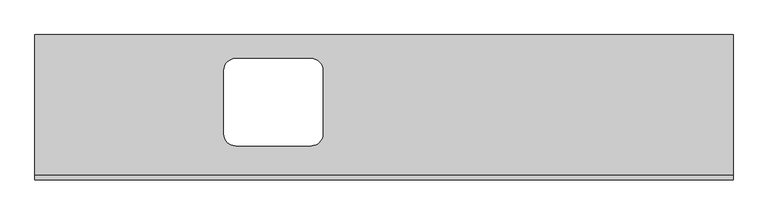
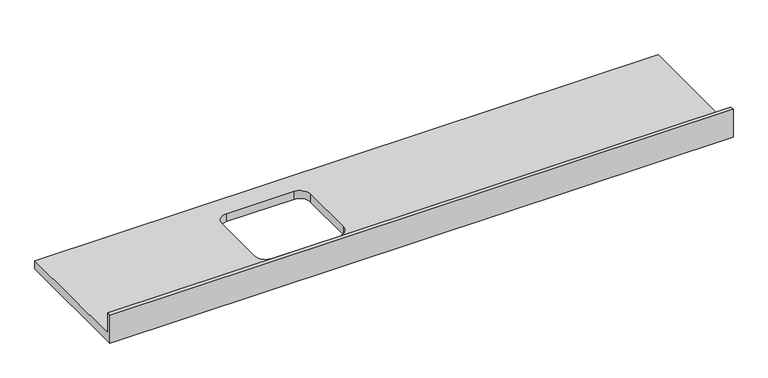
"""IFC4 building model written with IfcOpenShell, lengths in millimetres: furniture geometry."""

from ifc_helpers import new_model, si_unit, frame, origin, place, context, project, spatial, polyline, circle_curve, source, transform, mapped, element, save
from ifc_brep_helpers import plane_surface, revolved_surface, advanced_brep


def furniture_45402b26(model_context):
    return source(origin(), model_context, "Body", "AdvancedBrep", [
        advanced_brep(
        [(-1200.4622951, 625.0, 900.0), (-1200.4622951, 19.05, 900.0), (1799.5377049, 19.05, 900.0), (1799.5377049, 625.0, 900.0), (-337.3622951, 147.3, 900.0), (-388.1622951, 198.1, 900.0), (-388.1622951, 471.9, 900.0), (-337.3622951, 522.7, 900.0), (-13.5622951, 522.7, 900.0), (37.2377049, 471.9, 900.0), (37.2377049, 198.1, 900.0), (-13.5622951, 147.3, 900.0), (1799.5377049, 0.0, 860.0), (-1200.4622951, 0.0, 860.0), (-1200.4622951, 625.0, 860.0), (1799.5377049, 625.0, 860.0), (-13.5622951, 147.3, 860.0), (37.2377049, 198.1, 860.0), (37.2377049, 471.9, 860.0), (-13.5622951, 522.7, 860.0), (-337.3622951, 522.7, 860.0), (-388.1622951, 471.9, 860.0), (-388.1622951, 198.1, 860.0), (-337.3622951, 147.3, 860.0), (1799.5377049, 0.0, 1001.6), (-1200.4622951, 0.0, 1001.6), (-1200.4622951, 19.05, 1001.6), (1799.5377049, 19.05, 1001.6)],
        [
            (0, 1),
            (1, 2),
            (2, 3),
            (3, 0),
            (4, 5, circle_curve(frame((-337.3622951, 198.1, 900.0), z_axis=(0.0, 0.0, -1.0), x_axis=(1.0, 0.0, 0.0)), 50.8)),
            (5, 6),
            (6, 7, circle_curve(frame((-337.3622951, 471.9, 900.0), z_axis=(0.0, 0.0, -1.0), x_axis=(1.0, 0.0, 0.0)), 50.8)),
            (7, 8),
            (8, 9, circle_curve(frame((-13.5622951, 471.9, 900.0), z_axis=(0.0, 0.0, -1.0), x_axis=(1.0, 0.0, 0.0)), 50.8)),
            (9, 10),
            (10, 11, circle_curve(frame((-13.5622951, 198.1, 900.0), z_axis=(0.0, 0.0, -1.0), x_axis=(1.0, 0.0, 0.0)), 50.8)),
            (11, 4),
            (12, 13),
            (13, 14),
            (14, 15),
            (15, 12),
            (16, 17, circle_curve(frame((-13.5622951, 198.1, 860.0), z_axis=(0.0, 0.0, 1.0), x_axis=(1.0, 0.0, 0.0)), 50.8)),
            (17, 18),
            (18, 19, circle_curve(frame((-13.5622951, 471.9, 860.0), z_axis=(0.0, 0.0, 1.0), x_axis=(1.0, 0.0, 0.0)), 50.8)),
            (19, 20),
            (20, 21, circle_curve(frame((-337.3622951, 471.9, 860.0), z_axis=(0.0, 0.0, 1.0), x_axis=(1.0, 0.0, 0.0)), 50.8)),
            (21, 22),
            (22, 23, circle_curve(frame((-337.3622951, 198.1, 860.0), z_axis=(0.0, 0.0, 1.0), x_axis=(1.0, 0.0, 0.0)), 50.8)),
            (23, 16),
            (12, 24),
            (24, 25),
            (25, 13),
            (25, 26),
            (26, 1),
            (0, 14),
            (3, 15),
            (2, 27),
            (27, 24),
            (27, 26),
            (11, 16),
            (23, 4),
            (22, 5),
            (21, 6),
            (20, 7),
            (19, 8),
            (18, 9),
            (17, 10),
        ],
        [
            plane_surface(frame((-1200.4622951, 0.0, 900.0), z_axis=(0.0, 0.0, 1.0), x_axis=(-1.0, 0.0, 0.0))),
            plane_surface(frame((-1200.4622951, 0.0, 860.0), z_axis=(0.0, 0.0, -1.0), x_axis=(1.0, 0.0, 0.0))),
            plane_surface(frame((1799.5377049, 0.0, 900.0), z_axis=(0.0, -1.0, 0.0), x_axis=(0.0, 0.0, -1.0))),
            plane_surface(frame((-1200.4622951, 0.0, 900.0), z_axis=(-1.0, 0.0, 0.0), x_axis=(0.0, 0.0, -1.0))),
            plane_surface(frame((-1200.4622951, 625.0, 900.0), z_axis=(0.0, 1.0, 0.0), x_axis=(0.0, 0.0, -1.0))),
            plane_surface(frame((1799.5377049, 625.0, 900.0), z_axis=(1.0, 0.0, 0.0), x_axis=(0.0, 0.0, -1.0))),
            plane_surface(frame((-1200.4622951, 0.0, 1001.6), z_axis=(0.0, 0.0, 1.0), x_axis=(0.0, 1.0, 0.0))),
            plane_surface(frame((-1200.4622951, 19.05, 1001.6), z_axis=(0.0, 1.0, 0.0), x_axis=(0.0, 0.0, -1.0))),
            plane_surface(frame((-13.5622951, 147.3, 900.0), z_axis=(0.0, 1.0, 0.0), x_axis=(0.0, 0.0, -1.0))),
            revolved_surface(polyline([(-286.5622951, 198.1, 900.0), (-286.5622951, 198.1, 860.0)]), (-337.3622951, 198.1, 860.0), (0.0, 0.0, 1.0)),
            plane_surface(frame((-388.1622951, 198.1, 900.0), z_axis=(1.0, 0.0, 0.0), x_axis=(0.0, 0.0, -1.0))),
            revolved_surface(polyline([(-286.5622951, 471.9, 900.0), (-286.5622951, 471.9, 860.0)]), (-337.3622951, 471.9, 860.0), (0.0, 0.0, 1.0)),
            plane_surface(frame((-337.3622951, 522.7, 900.0), z_axis=(0.0, -1.0, 0.0), x_axis=(0.0, 0.0, -1.0))),
            revolved_surface(polyline([(37.2377049, 471.9, 900.0), (37.2377049, 471.9, 860.0)]), (-13.5622951, 471.9, 860.0), (0.0, 0.0, 1.0)),
            plane_surface(frame((37.2377049, 471.9, 900.0), z_axis=(-1.0, 0.0, 0.0), x_axis=(0.0, 0.0, -1.0))),
            revolved_surface(polyline([(37.2377049, 198.1, 900.0), (37.2377049, 198.1, 860.0)]), (-13.5622951, 198.1, 860.0), (0.0, 0.0, 1.0)),
        ],
        [
            (0, [[1, 2, 3, 4], [5, 6, 7, 8, 9, 10, 11, 12]]),
            (1, [[13, 14, 15, 16], [17, 18, 19, 20, 21, 22, 23, 24]]),
            (2, [[25, 26, 27, -13]]),
            (3, [[-27, 28, 29, -1, 30, -14]]),
            (4, [[31, -15, -30, -4]]),
            (5, [[-31, -3, 32, 33, -25, -16]]),
            (6, [[-26, -33, 34, -28]]),
            (7, [[-32, -2, -29, -34]]),
            (8, [[-12, 35, -24, 36]]),
            (9, [[-23, 37, -5, -36]]),
            (10, [[-22, 38, -6, -37]]),
            (11, [[-21, 39, -7, -38]]),
            (12, [[-20, 40, -8, -39]]),
            (13, [[-19, 41, -9, -40]]),
            (14, [[-18, 42, -10, -41]]),
            (15, [[-11, -42, -17, -35]]),
        ],
    ),
    ])


if __name__ == "__main__":
    model = new_model("IFC4")
    model_context = context("Model", 3, world=origin())
    ifc_project = project(units=[si_unit("LENGTHUNIT", "METRE", prefix="MILLI")], contexts=[model_context])
    site = spatial("IfcSite", under=ifc_project)
    building = spatial("IfcBuilding", under=site)
    placement = place(None, origin())
    furniture_shape = furniture_45402b26(model_context)
    element("IfcFurniture", 1, at=placement, inside=building, context=model_context, shape_type="MappedRepresentation", body=[
        mapped(furniture_shape, transform((0.0, 0.0, 0.0), x_axis=(1.0, 0.0, 0.0), y_axis=(0.0, 1.0, 0.0), z_axis=(0.0, 0.0, 1.0))),
    ])
    save(model, "model.ifc")
